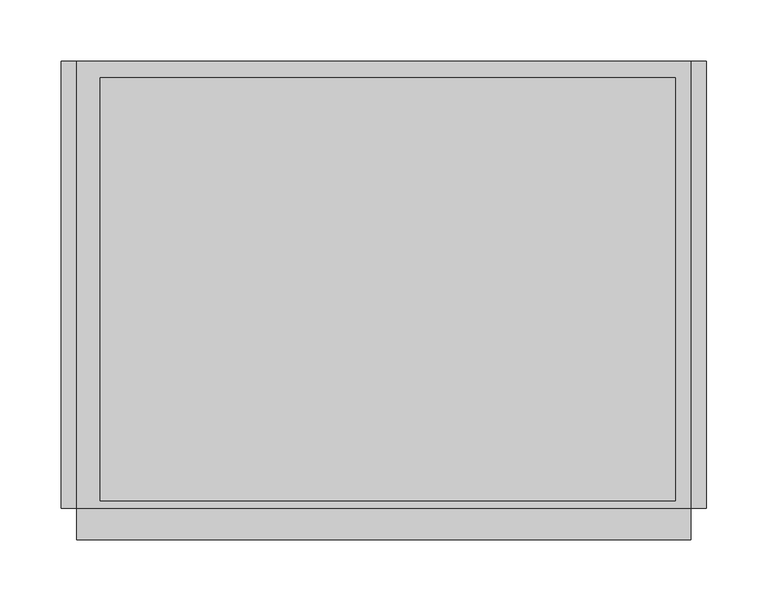
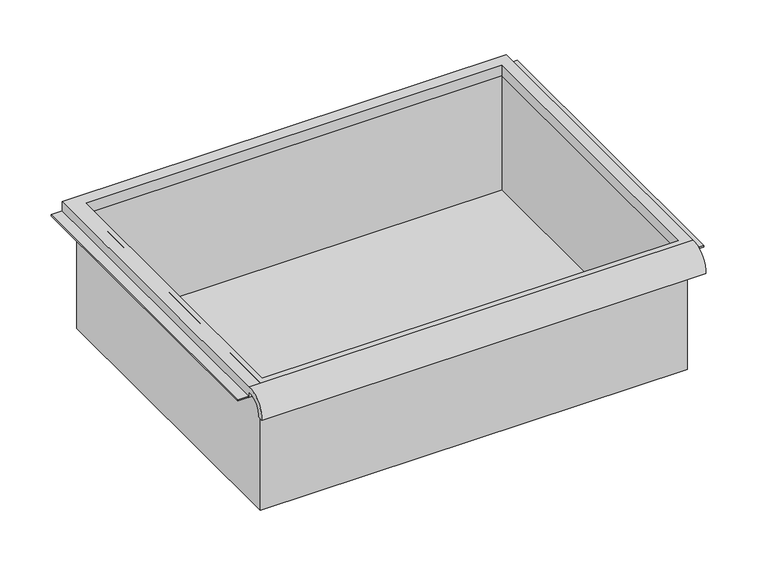
"""IFC4 building model written with IfcOpenShell, lengths in millimetres: furniture geometry."""

from ifc_helpers import new_model, si_unit, frame, origin, place, context, project, spatial, polyline, circle_curve, faceted_brep, source, transform, mapped, element, save
from ifc_brep_helpers import plane_surface, cylinder_surface, revolved_surface, advanced_brep


def furniture_ce1aa0c7(model_context):
    return source(origin(), model_context, "Body", "SolidModel", [
        advanced_brep(
        [(263.7474999, -195.297482, 583.4035672), (263.7474999, -188.9125, 583.4035672), (263.7474999, -169.8625, 601.6650404), (263.7474999, -169.8625, 595.31504), (263.7474999, 195.2625, 595.31504), (263.7474999, 195.2625, 608.0150404), (263.7474999, -169.8625, 608.0150404), (-237.9025001, -195.297482, 583.4035672), (-237.9025001, -169.8625, 608.0150404), (-237.9025001, 195.2625, 608.0150404), (-237.9025001, 195.2625, 595.31504), (-237.9025001, -169.8625, 595.31504), (-237.9025001, -169.8625, 601.6650404), (-237.9025001, -188.9125, 583.4035672), (251.0474878, 181.9275, 595.31504), (-218.8095642, 181.9275, 595.31504), (-218.8095642, -163.5125, 595.31504), (251.0474878, -163.5125, 595.31504), (-218.8095642, 181.9275, 608.0150404), (251.0474878, 181.9275, 608.0150404), (251.0474878, -163.5125, 608.0150404), (-218.8095642, -163.5125, 608.0150404)],
        [
            (0, 1),
            (1, 2, circle_curve(frame((263.7474999, -172.3404634, 585.1829776), z_axis=(-1.0, 0.0, 0.0), x_axis=(0.0, 1.0, 0.0)), 16.6672942)),
            (2, 3),
            (3, 4),
            (4, 5),
            (5, 6),
            (6, 0, circle_curve(frame((263.7474999, -172.4601678, 585.2508676), z_axis=(1.0, 0.0, 0.0), x_axis=(0.0, 1.0, 0.0)), 22.9119061)),
            (7, 8, circle_curve(frame((-237.9025001, -172.4601678, 585.2508676), z_axis=(-1.0, 0.0, 0.0), x_axis=(0.0, 1.0, 0.0)), 22.9119061)),
            (8, 9),
            (9, 10),
            (10, 11),
            (11, 12),
            (12, 13, circle_curve(frame((-237.9025001, -172.3404634, 585.1829776), z_axis=(1.0, 0.0, 0.0), x_axis=(0.0, 1.0, 0.0)), 16.6672942)),
            (13, 7),
            (0, 7),
            (13, 1),
            (12, 2),
            (11, 3),
            (10, 4),
            (14, 15),
            (15, 16),
            (16, 17),
            (17, 14),
            (9, 5),
            (8, 6),
            (18, 19),
            (19, 20),
            (20, 21),
            (21, 18),
            (14, 19),
            (18, 15),
            (21, 16),
            (20, 17),
        ],
        [
            plane_surface(frame((263.7474999, -195.297482, 583.4035672), z_axis=(1.0, 0.0, 0.0), x_axis=(0.0, 1.0, 0.0))),
            plane_surface(frame((-237.9025001, -195.297482, 583.4035672), z_axis=(-1.0, 0.0, 0.0), x_axis=(0.0, -1.0, 0.0))),
            plane_surface(frame((263.7474999, -195.297482, 583.4035672), z_axis=(0.0, 0.0, -1.0), x_axis=(-1.0, 0.0, 0.0))),
            revolved_surface(polyline([(-237.9025001, -155.67316920000002, 585.1829776), (263.7474999, -155.67316920000002, 585.1829776)]), (-237.9025001, -172.3404634, 585.1829776), (-1.0, 0.0, 0.0)),
            plane_surface(frame((263.7474999, -169.8625, 601.6650404), z_axis=(0.0, -1.0, 0.0), x_axis=(-1.0, 0.0, 0.0))),
            plane_surface(frame((263.7474999, -169.8625, 595.31504), z_axis=(0.0, 0.0, -1.0), x_axis=(-1.0, 0.0, 0.0))),
            plane_surface(frame((263.7474999, 195.2625, 595.31504), z_axis=(0.0, 1.0, 0.0), x_axis=(-1.0, 0.0, 0.0))),
            plane_surface(frame((263.7474999, 195.2625, 608.0150404), z_axis=(0.0, 0.0, 1.0), x_axis=(-1.0, 0.0, 0.0))),
            cylinder_surface(frame((-237.9025001, -172.4601678, 585.2508676), z_axis=(1.0, 0.0, 0.0), x_axis=(0.0, 1.0, 0.0)), 22.9119061),
            plane_surface(frame((251.0474878, 181.9275, 608.0150404), z_axis=(0.0, -1.0, 0.0), x_axis=(0.0, 0.0, -1.0))),
            plane_surface(frame((-218.8095642, 181.9275, 608.0150404), z_axis=(1.0, 0.0, 0.0), x_axis=(0.0, 0.0, -1.0))),
            plane_surface(frame((-218.8095642, -163.5125, 608.0150404), z_axis=(0.0, 1.0, 0.0), x_axis=(0.0, 0.0, -1.0))),
            plane_surface(frame((251.0474878, -163.5125, 608.0150404), z_axis=(-1.0, 0.0, 0.0), x_axis=(0.0, 0.0, -1.0))),
        ],
        [
            (0, [[1, 2, 3, 4, 5, 6, 7]]),
            (1, [[8, 9, 10, 11, 12, 13, 14]]),
            (2, [[-1, 15, -14, 16]]),
            (3, [[-2, -16, -13, 17]]),
            (4, [[-3, -17, -12, 18]]),
            (5, [[-4, -18, -11, 19], [20, 21, 22, 23]]),
            (6, [[-5, -19, -10, 24]]),
            (7, [[-6, -24, -9, 25], [26, 27, 28, 29]]),
            (8, [[-7, -25, -8, -15]]),
            (9, [[30, -26, 31, -20]]),
            (10, [[-31, -29, 32, -21]]),
            (11, [[-32, -28, 33, -22]]),
            (12, [[-30, -23, -33, -27]]),
        ],
    ),
        faceted_brep([(-225.2025001, -169.8625, 455.6150404), (257.3974878, -169.8625, 455.6150404), (257.3974878, -169.8625, 608.0150404), (-225.2025001, -169.8625, 608.0150404), (-225.2025001, 188.9125, 455.6150404), (-225.2025001, 188.9125, 608.0150404), (257.3974878, 188.9125, 608.0150404), (257.3974878, 188.9125, 455.6150404), (-218.8095642, 181.9275, 608.0150404), (251.0474878, 181.9275, 608.0150404), (251.0474878, -163.5125, 608.0150404), (-218.8095642, -163.5125, 608.0150404), (251.0474878, 181.9275, 458.7900404), (-218.8095642, 181.9275, 458.7900404), (-218.8095642, -163.5125, 458.7900404), (251.0474878, -163.5125, 458.7900404)], [[[0, 1, 2, 3]], [[4, 5, 6, 7]], [[1, 0, 4, 7]], [[2, 1, 7, 6]], [[3, 2, 6, 5], [8, 9, 10, 11]], [[0, 3, 5, 4]], [[12, 13, 14, 15]], [[13, 12, 9, 8]], [[14, 13, 8, 11]], [[15, 14, 11, 10]], [[12, 15, 10, 9]]]),
        faceted_brep([(-250.6025001, 195.2625, 595.31504), (-250.6025001, 195.2625, 596.90254), (-231.5525001, 195.2625, 596.90254), (-231.5525001, 195.2625, 595.31504), (-250.6025001, -169.8625, 595.31504), (-231.5525001, -169.8625, 595.31504), (-231.5525001, -169.8625, 596.90254), (-250.6025001, -169.8625, 596.90254)], [[[0, 1, 2, 3]], [[4, 5, 6, 7]], [[1, 0, 4, 7]], [[2, 1, 7, 6]], [[3, 2, 6, 5]], [[0, 3, 5, 4]]]),
        faceted_brep([(276.4474999, 195.2625, 595.31504), (263.7474999, 195.2625, 595.31504), (263.7474999, 195.2625, 596.90254), (276.4474999, 195.2625, 596.90254), (276.4474999, -169.8625, 595.31504), (276.4474999, -169.8625, 596.90254), (263.7474999, -169.8625, 596.90254), (263.7474999, -169.8625, 595.31504)], [[[0, 1, 2, 3]], [[4, 5, 6, 7]], [[1, 0, 4, 7]], [[2, 1, 7, 6]], [[3, 2, 6, 5]], [[0, 3, 5, 4]]]),
    ])


if __name__ == "__main__":
    model = new_model("IFC4")
    model_context = context("Model", 3, world=origin())
    ifc_project = project(units=[si_unit("LENGTHUNIT", "METRE", prefix="MILLI")], contexts=[model_context])
    site = spatial("IfcSite", under=ifc_project)
    building = spatial("IfcBuilding", under=site)
    placement = place(None, origin())
    furniture_shape = furniture_ce1aa0c7(model_context)
    element("IfcFurniture", 1, at=placement, inside=building, context=model_context, shape_type="MappedRepresentation", body=[
        mapped(furniture_shape, transform((0.0, 0.0, 0.0), x_axis=(1.0, 0.0, 0.0), y_axis=(0.0, 1.0, 0.0), z_axis=(0.0, 0.0, 1.0))),
    ])
    save(model, "model.ifc")
